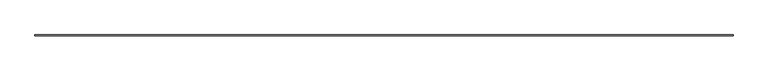
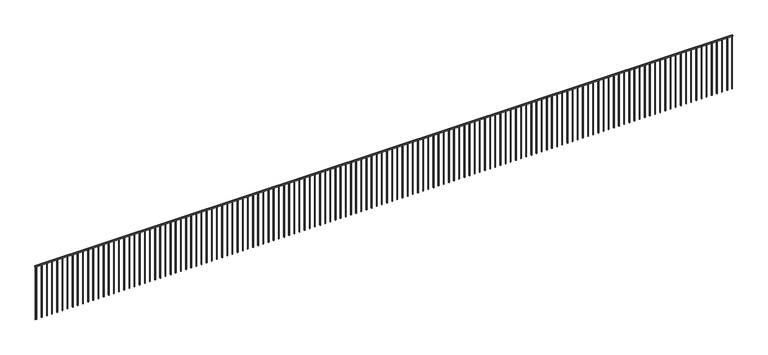
"""IFC4 building model written with IfcOpenShell, lengths in millimetres: railing geometry."""

from ifc_helpers import new_model, si_unit, frame, origin, place, context, project, spatial, polyline, outline, extrude, source, transform, mapped, element, save


def railing_77fd62ec(model_context):
    return source(origin(), model_context, "Body", "SweptSolid", [
        extrude(outline(polyline([(58190.1428488, -10622.0153476), (58190.1428488, -10672.0153476), (20990.1428488, -10672.0153476), (20990.1428488, -10622.0153476), (58190.1428488, -10622.0153476)])), frame((0.0, 0.0, 4850.0), z_axis=(0.0, 0.0, 1.0), x_axis=(1.0, 0.0, 0.0)), (0.0, 0.0, 1.0), 50.0),
        extrude(outline(polyline([(21077.6428488, -10634.5153476), (21077.6428488, -10659.5153476), (21052.6428488, -10659.5153476), (21052.6428488, -10634.5153476), (21077.6428488, -10634.5153476)])), frame((0.0, 0.0, 1900.0), z_axis=(0.0, 0.0, 1.0), x_axis=(1.0, 0.0, 0.0)), (0.0, 0.0, 1.0), 2950.0),
        extrude(outline(polyline([(21352.6428488, -10634.5153476), (21352.6428488, -10659.5153476), (21327.6428488, -10659.5153476), (21327.6428488, -10634.5153476), (21352.6428488, -10634.5153476)])), frame((0.0, 0.0, 1900.0), z_axis=(0.0, 0.0, 1.0), x_axis=(1.0, 0.0, 0.0)), (0.0, 0.0, 1.0), 2950.0),
        extrude(outline(polyline([(21627.6428488, -10634.5153476), (21627.6428488, -10659.5153476), (21602.6428488, -10659.5153476), (21602.6428488, -10634.5153476), (21627.6428488, -10634.5153476)])), frame((0.0, 0.0, 1900.0), z_axis=(0.0, 0.0, 1.0), x_axis=(1.0, 0.0, 0.0)), (0.0, 0.0, 1.0), 2950.0),
        extrude(outline(polyline([(21902.6428488, -10634.5153476), (21902.6428488, -10659.5153476), (21877.6428488, -10659.5153476), (21877.6428488, -10634.5153476), (21902.6428488, -10634.5153476)])), frame((0.0, 0.0, 1900.0), z_axis=(0.0, 0.0, 1.0), x_axis=(1.0, 0.0, 0.0)), (0.0, 0.0, 1.0), 2950.0),
        extrude(outline(polyline([(22177.6428488, -10634.5153476), (22177.6428488, -10659.5153476), (22152.6428488, -10659.5153476), (22152.6428488, -10634.5153476), (22177.6428488, -10634.5153476)])), frame((0.0, 0.0, 1900.0), z_axis=(0.0, 0.0, 1.0), x_axis=(1.0, 0.0, 0.0)), (0.0, 0.0, 1.0), 2950.0),
        extrude(outline(polyline([(22452.6428488, -10634.5153476), (22452.6428488, -10659.5153476), (22427.6428488, -10659.5153476), (22427.6428488, -10634.5153476), (22452.6428488, -10634.5153476)])), frame((0.0, 0.0, 1900.0), z_axis=(0.0, 0.0, 1.0), x_axis=(1.0, 0.0, 0.0)), (0.0, 0.0, 1.0), 2950.0),
        extrude(outline(polyline([(22727.6428488, -10634.5153476), (22727.6428488, -10659.5153476), (22702.6428488, -10659.5153476), (22702.6428488, -10634.5153476), (22727.6428488, -10634.5153476)])), frame((0.0, 0.0, 1900.0), z_axis=(0.0, 0.0, 1.0), x_axis=(1.0, 0.0, 0.0)), (0.0, 0.0, 1.0), 2950.0),
        extrude(outline(polyline([(23002.6428488, -10634.5153476), (23002.6428488, -10659.5153476), (22977.6428488, -10659.5153476), (22977.6428488, -10634.5153476), (23002.6428488, -10634.5153476)])), frame((0.0, 0.0, 1900.0), z_axis=(0.0, 0.0, 1.0), x_axis=(1.0, 0.0, 0.0)), (0.0, 0.0, 1.0), 2950.0),
        extrude(outline(polyline([(23277.6428488, -10634.5153476), (23277.6428488, -10659.5153476), (23252.6428488, -10659.5153476), (23252.6428488, -10634.5153476), (23277.6428488, -10634.5153476)])), frame((0.0, 0.0, 1900.0), z_axis=(0.0, 0.0, 1.0), x_axis=(1.0, 0.0, 0.0)), (0.0, 0.0, 1.0), 2950.0),
        extrude(outline(polyline([(23552.6428488, -10634.5153476), (23552.6428488, -10659.5153476), (23527.6428488, -10659.5153476), (23527.6428488, -10634.5153476), (23552.6428488, -10634.5153476)])), frame((0.0, 0.0, 1900.0), z_axis=(0.0, 0.0, 1.0), x_axis=(1.0, 0.0, 0.0)), (0.0, 0.0, 1.0), 2950.0),
        extrude(outline(polyline([(23827.6428488, -10634.5153476), (23827.6428488, -10659.5153476), (23802.6428488, -10659.5153476), (23802.6428488, -10634.5153476), (23827.6428488, -10634.5153476)])), frame((0.0, 0.0, 1900.0), z_axis=(0.0, 0.0, 1.0), x_axis=(1.0, 0.0, 0.0)), (0.0, 0.0, 1.0), 2950.0),
        extrude(outline(polyline([(24102.6428488, -10634.5153476), (24102.6428488, -10659.5153476), (24077.6428488, -10659.5153476), (24077.6428488, -10634.5153476), (24102.6428488, -10634.5153476)])), frame((0.0, 0.0, 1900.0), z_axis=(0.0, 0.0, 1.0), x_axis=(1.0, 0.0, 0.0)), (0.0, 0.0, 1.0), 2950.0),
        extrude(outline(polyline([(24377.6428488, -10634.5153476), (24377.6428488, -10659.5153476), (24352.6428488, -10659.5153476), (24352.6428488, -10634.5153476), (24377.6428488, -10634.5153476)])), frame((0.0, 0.0, 1900.0), z_axis=(0.0, 0.0, 1.0), x_axis=(1.0, 0.0, 0.0)), (0.0, 0.0, 1.0), 2950.0),
        extrude(outline(polyline([(24652.6428488, -10634.5153476), (24652.6428488, -10659.5153476), (24627.6428488, -10659.5153476), (24627.6428488, -10634.5153476), (24652.6428488, -10634.5153476)])), frame((0.0, 0.0, 1900.0), z_axis=(0.0, 0.0, 1.0), x_axis=(1.0, 0.0, 0.0)), (0.0, 0.0, 1.0), 2950.0),
        extrude(outline(polyline([(24927.6428488, -10634.5153476), (24927.6428488, -10659.5153476), (24902.6428488, -10659.5153476), (24902.6428488, -10634.5153476), (24927.6428488, -10634.5153476)])), frame((0.0, 0.0, 1900.0), z_axis=(0.0, 0.0, 1.0), x_axis=(1.0, 0.0, 0.0)), (0.0, 0.0, 1.0), 2950.0),
        extrude(outline(polyline([(25202.6428488, -10634.5153476), (25202.6428488, -10659.5153476), (25177.6428488, -10659.5153476), (25177.6428488, -10634.5153476), (25202.6428488, -10634.5153476)])), frame((0.0, 0.0, 1900.0), z_axis=(0.0, 0.0, 1.0), x_axis=(1.0, 0.0, 0.0)), (0.0, 0.0, 1.0), 2950.0),
        extrude(outline(polyline([(25477.6428488, -10634.5153476), (25477.6428488, -10659.5153476), (25452.6428488, -10659.5153476), (25452.6428488, -10634.5153476), (25477.6428488, -10634.5153476)])), frame((0.0, 0.0, 1900.0), z_axis=(0.0, 0.0, 1.0), x_axis=(1.0, 0.0, 0.0)), (0.0, 0.0, 1.0), 2950.0),
        extrude(outline(polyline([(25752.6428488, -10634.5153476), (25752.6428488, -10659.5153476), (25727.6428488, -10659.5153476), (25727.6428488, -10634.5153476), (25752.6428488, -10634.5153476)])), frame((0.0, 0.0, 1900.0), z_axis=(0.0, 0.0, 1.0), x_axis=(1.0, 0.0, 0.0)), (0.0, 0.0, 1.0), 2950.0),
        extrude(outline(polyline([(26027.6428488, -10634.5153476), (26027.6428488, -10659.5153476), (26002.6428488, -10659.5153476), (26002.6428488, -10634.5153476), (26027.6428488, -10634.5153476)])), frame((0.0, 0.0, 1900.0), z_axis=(0.0, 0.0, 1.0), x_axis=(1.0, 0.0, 0.0)), (0.0, 0.0, 1.0), 2950.0),
        extrude(outline(polyline([(26302.6428488, -10634.5153476), (26302.6428488, -10659.5153476), (26277.6428488, -10659.5153476), (26277.6428488, -10634.5153476), (26302.6428488, -10634.5153476)])), frame((0.0, 0.0, 1900.0), z_axis=(0.0, 0.0, 1.0), x_axis=(1.0, 0.0, 0.0)), (0.0, 0.0, 1.0), 2950.0),
        extrude(outline(polyline([(26577.6428488, -10634.5153476), (26577.6428488, -10659.5153476), (26552.6428488, -10659.5153476), (26552.6428488, -10634.5153476), (26577.6428488, -10634.5153476)])), frame((0.0, 0.0, 1900.0), z_axis=(0.0, 0.0, 1.0), x_axis=(1.0, 0.0, 0.0)), (0.0, 0.0, 1.0), 2950.0),
        extrude(outline(polyline([(26852.6428488, -10634.5153476), (26852.6428488, -10659.5153476), (26827.6428488, -10659.5153476), (26827.6428488, -10634.5153476), (26852.6428488, -10634.5153476)])), frame((0.0, 0.0, 1900.0), z_axis=(0.0, 0.0, 1.0), x_axis=(1.0, 0.0, 0.0)), (0.0, 0.0, 1.0), 2950.0),
        extrude(outline(polyline([(27127.6428488, -10634.5153476), (27127.6428488, -10659.5153476), (27102.6428488, -10659.5153476), (27102.6428488, -10634.5153476), (27127.6428488, -10634.5153476)])), frame((0.0, 0.0, 1900.0), z_axis=(0.0, 0.0, 1.0), x_axis=(1.0, 0.0, 0.0)), (0.0, 0.0, 1.0), 2950.0),
        extrude(outline(polyline([(27402.6428488, -10634.5153476), (27402.6428488, -10659.5153476), (27377.6428488, -10659.5153476), (27377.6428488, -10634.5153476), (27402.6428488, -10634.5153476)])), frame((0.0, 0.0, 1900.0), z_axis=(0.0, 0.0, 1.0), x_axis=(1.0, 0.0, 0.0)), (0.0, 0.0, 1.0), 2950.0),
        extrude(outline(polyline([(27677.6428488, -10634.5153476), (27677.6428488, -10659.5153476), (27652.6428488, -10659.5153476), (27652.6428488, -10634.5153476), (27677.6428488, -10634.5153476)])), frame((0.0, 0.0, 1900.0), z_axis=(0.0, 0.0, 1.0), x_axis=(1.0, 0.0, 0.0)), (0.0, 0.0, 1.0), 2950.0),
        extrude(outline(polyline([(27952.6428488, -10634.5153476), (27952.6428488, -10659.5153476), (27927.6428488, -10659.5153476), (27927.6428488, -10634.5153476), (27952.6428488, -10634.5153476)])), frame((0.0, 0.0, 1900.0), z_axis=(0.0, 0.0, 1.0), x_axis=(1.0, 0.0, 0.0)), (0.0, 0.0, 1.0), 2950.0),
        extrude(outline(polyline([(28227.6428488, -10634.5153476), (28227.6428488, -10659.5153476), (28202.6428488, -10659.5153476), (28202.6428488, -10634.5153476), (28227.6428488, -10634.5153476)])), frame((0.0, 0.0, 1900.0), z_axis=(0.0, 0.0, 1.0), x_axis=(1.0, 0.0, 0.0)), (0.0, 0.0, 1.0), 2950.0),
        extrude(outline(polyline([(28502.6428488, -10634.5153476), (28502.6428488, -10659.5153476), (28477.6428488, -10659.5153476), (28477.6428488, -10634.5153476), (28502.6428488, -10634.5153476)])), frame((0.0, 0.0, 1900.0), z_axis=(0.0, 0.0, 1.0), x_axis=(1.0, 0.0, 0.0)), (0.0, 0.0, 1.0), 2950.0),
        extrude(outline(polyline([(28777.6428488, -10634.5153476), (28777.6428488, -10659.5153476), (28752.6428488, -10659.5153476), (28752.6428488, -10634.5153476), (28777.6428488, -10634.5153476)])), frame((0.0, 0.0, 1900.0), z_axis=(0.0, 0.0, 1.0), x_axis=(1.0, 0.0, 0.0)), (0.0, 0.0, 1.0), 2950.0),
        extrude(outline(polyline([(29052.6428488, -10634.5153476), (29052.6428488, -10659.5153476), (29027.6428488, -10659.5153476), (29027.6428488, -10634.5153476), (29052.6428488, -10634.5153476)])), frame((0.0, 0.0, 1900.0), z_axis=(0.0, 0.0, 1.0), x_axis=(1.0, 0.0, 0.0)), (0.0, 0.0, 1.0), 2950.0),
        extrude(outline(polyline([(29327.6428488, -10634.5153476), (29327.6428488, -10659.5153476), (29302.6428488, -10659.5153476), (29302.6428488, -10634.5153476), (29327.6428488, -10634.5153476)])), frame((0.0, 0.0, 1900.0), z_axis=(0.0, 0.0, 1.0), x_axis=(1.0, 0.0, 0.0)), (0.0, 0.0, 1.0), 2950.0),
        extrude(outline(polyline([(29602.6428488, -10634.5153476), (29602.6428488, -10659.5153476), (29577.6428488, -10659.5153476), (29577.6428488, -10634.5153476), (29602.6428488, -10634.5153476)])), frame((0.0, 0.0, 1900.0), z_axis=(0.0, 0.0, 1.0), x_axis=(1.0, 0.0, 0.0)), (0.0, 0.0, 1.0), 2950.0),
        extrude(outline(polyline([(29877.6428488, -10634.5153476), (29877.6428488, -10659.5153476), (29852.6428488, -10659.5153476), (29852.6428488, -10634.5153476), (29877.6428488, -10634.5153476)])), frame((0.0, 0.0, 1900.0), z_axis=(0.0, 0.0, 1.0), x_axis=(1.0, 0.0, 0.0)), (0.0, 0.0, 1.0), 2950.0),
        extrude(outline(polyline([(30152.6428488, -10634.5153476), (30152.6428488, -10659.5153476), (30127.6428488, -10659.5153476), (30127.6428488, -10634.5153476), (30152.6428488, -10634.5153476)])), frame((0.0, 0.0, 1900.0), z_axis=(0.0, 0.0, 1.0), x_axis=(1.0, 0.0, 0.0)), (0.0, 0.0, 1.0), 2950.0),
        extrude(outline(polyline([(30427.6428488, -10634.5153476), (30427.6428488, -10659.5153476), (30402.6428488, -10659.5153476), (30402.6428488, -10634.5153476), (30427.6428488, -10634.5153476)])), frame((0.0, 0.0, 1900.0), z_axis=(0.0, 0.0, 1.0), x_axis=(1.0, 0.0, 0.0)), (0.0, 0.0, 1.0), 2950.0),
        extrude(outline(polyline([(30702.6428488, -10634.5153476), (30702.6428488, -10659.5153476), (30677.6428488, -10659.5153476), (30677.6428488, -10634.5153476), (30702.6428488, -10634.5153476)])), frame((0.0, 0.0, 1900.0), z_axis=(0.0, 0.0, 1.0), x_axis=(1.0, 0.0, 0.0)), (0.0, 0.0, 1.0), 2950.0),
        extrude(outline(polyline([(30977.6428488, -10634.5153476), (30977.6428488, -10659.5153476), (30952.6428488, -10659.5153476), (30952.6428488, -10634.5153476), (30977.6428488, -10634.5153476)])), frame((0.0, 0.0, 1900.0), z_axis=(0.0, 0.0, 1.0), x_axis=(1.0, 0.0, 0.0)), (0.0, 0.0, 1.0), 2950.0),
        extrude(outline(polyline([(31252.6428488, -10634.5153476), (31252.6428488, -10659.5153476), (31227.6428488, -10659.5153476), (31227.6428488, -10634.5153476), (31252.6428488, -10634.5153476)])), frame((0.0, 0.0, 1900.0), z_axis=(0.0, 0.0, 1.0), x_axis=(1.0, 0.0, 0.0)), (0.0, 0.0, 1.0), 2950.0),
        extrude(outline(polyline([(31527.6428488, -10634.5153476), (31527.6428488, -10659.5153476), (31502.6428488, -10659.5153476), (31502.6428488, -10634.5153476), (31527.6428488, -10634.5153476)])), frame((0.0, 0.0, 1900.0), z_axis=(0.0, 0.0, 1.0), x_axis=(1.0, 0.0, 0.0)), (0.0, 0.0, 1.0), 2950.0),
        extrude(outline(polyline([(31802.6428488, -10634.5153476), (31802.6428488, -10659.5153476), (31777.6428488, -10659.5153476), (31777.6428488, -10634.5153476), (31802.6428488, -10634.5153476)])), frame((0.0, 0.0, 1900.0), z_axis=(0.0, 0.0, 1.0), x_axis=(1.0, 0.0, 0.0)), (0.0, 0.0, 1.0), 2950.0),
        extrude(outline(polyline([(32077.6428488, -10634.5153476), (32077.6428488, -10659.5153476), (32052.6428488, -10659.5153476), (32052.6428488, -10634.5153476), (32077.6428488, -10634.5153476)])), frame((0.0, 0.0, 1900.0), z_axis=(0.0, 0.0, 1.0), x_axis=(1.0, 0.0, 0.0)), (0.0, 0.0, 1.0), 2950.0),
        extrude(outline(polyline([(32352.6428488, -10634.5153476), (32352.6428488, -10659.5153476), (32327.6428488, -10659.5153476), (32327.6428488, -10634.5153476), (32352.6428488, -10634.5153476)])), frame((0.0, 0.0, 1900.0), z_axis=(0.0, 0.0, 1.0), x_axis=(1.0, 0.0, 0.0)), (0.0, 0.0, 1.0), 2950.0),
        extrude(outline(polyline([(32627.6428488, -10634.5153476), (32627.6428488, -10659.5153476), (32602.6428488, -10659.5153476), (32602.6428488, -10634.5153476), (32627.6428488, -10634.5153476)])), frame((0.0, 0.0, 1900.0), z_axis=(0.0, 0.0, 1.0), x_axis=(1.0, 0.0, 0.0)), (0.0, 0.0, 1.0), 2950.0),
        extrude(outline(polyline([(32902.6428488, -10634.5153476), (32902.6428488, -10659.5153476), (32877.6428488, -10659.5153476), (32877.6428488, -10634.5153476), (32902.6428488, -10634.5153476)])), frame((0.0, 0.0, 1900.0), z_axis=(0.0, 0.0, 1.0), x_axis=(1.0, 0.0, 0.0)), (0.0, 0.0, 1.0), 2950.0),
        extrude(outline(polyline([(33177.6428488, -10634.5153476), (33177.6428488, -10659.5153476), (33152.6428488, -10659.5153476), (33152.6428488, -10634.5153476), (33177.6428488, -10634.5153476)])), frame((0.0, 0.0, 1900.0), z_axis=(0.0, 0.0, 1.0), x_axis=(1.0, 0.0, 0.0)), (0.0, 0.0, 1.0), 2950.0),
        extrude(outline(polyline([(33452.6428488, -10634.5153476), (33452.6428488, -10659.5153476), (33427.6428488, -10659.5153476), (33427.6428488, -10634.5153476), (33452.6428488, -10634.5153476)])), frame((0.0, 0.0, 1900.0), z_axis=(0.0, 0.0, 1.0), x_axis=(1.0, 0.0, 0.0)), (0.0, 0.0, 1.0), 2950.0),
        extrude(outline(polyline([(33727.6428488, -10634.5153476), (33727.6428488, -10659.5153476), (33702.6428488, -10659.5153476), (33702.6428488, -10634.5153476), (33727.6428488, -10634.5153476)])), frame((0.0, 0.0, 1900.0), z_axis=(0.0, 0.0, 1.0), x_axis=(1.0, 0.0, 0.0)), (0.0, 0.0, 1.0), 2950.0),
        extrude(outline(polyline([(34002.6428488, -10634.5153476), (34002.6428488, -10659.5153476), (33977.6428488, -10659.5153476), (33977.6428488, -10634.5153476), (34002.6428488, -10634.5153476)])), frame((0.0, 0.0, 1900.0), z_axis=(0.0, 0.0, 1.0), x_axis=(1.0, 0.0, 0.0)), (0.0, 0.0, 1.0), 2950.0),
        extrude(outline(polyline([(34277.6428488, -10634.5153476), (34277.6428488, -10659.5153476), (34252.6428488, -10659.5153476), (34252.6428488, -10634.5153476), (34277.6428488, -10634.5153476)])), frame((0.0, 0.0, 1900.0), z_axis=(0.0, 0.0, 1.0), x_axis=(1.0, 0.0, 0.0)), (0.0, 0.0, 1.0), 2950.0),
        extrude(outline(polyline([(34552.6428488, -10634.5153476), (34552.6428488, -10659.5153476), (34527.6428488, -10659.5153476), (34527.6428488, -10634.5153476), (34552.6428488, -10634.5153476)])), frame((0.0, 0.0, 1900.0), z_axis=(0.0, 0.0, 1.0), x_axis=(1.0, 0.0, 0.0)), (0.0, 0.0, 1.0), 2950.0),
        extrude(outline(polyline([(34827.6428488, -10634.5153476), (34827.6428488, -10659.5153476), (34802.6428488, -10659.5153476), (34802.6428488, -10634.5153476), (34827.6428488, -10634.5153476)])), frame((0.0, 0.0, 1900.0), z_axis=(0.0, 0.0, 1.0), x_axis=(1.0, 0.0, 0.0)), (0.0, 0.0, 1.0), 2950.0),
        extrude(outline(polyline([(35102.6428488, -10634.5153476), (35102.6428488, -10659.5153476), (35077.6428488, -10659.5153476), (35077.6428488, -10634.5153476), (35102.6428488, -10634.5153476)])), frame((0.0, 0.0, 1900.0), z_axis=(0.0, 0.0, 1.0), x_axis=(1.0, 0.0, 0.0)), (0.0, 0.0, 1.0), 2950.0),
        extrude(outline(polyline([(35377.6428488, -10634.5153476), (35377.6428488, -10659.5153476), (35352.6428488, -10659.5153476), (35352.6428488, -10634.5153476), (35377.6428488, -10634.5153476)])), frame((0.0, 0.0, 1900.0), z_axis=(0.0, 0.0, 1.0), x_axis=(1.0, 0.0, 0.0)), (0.0, 0.0, 1.0), 2950.0),
        extrude(outline(polyline([(35652.6428488, -10634.5153476), (35652.6428488, -10659.5153476), (35627.6428488, -10659.5153476), (35627.6428488, -10634.5153476), (35652.6428488, -10634.5153476)])), frame((0.0, 0.0, 1900.0), z_axis=(0.0, 0.0, 1.0), x_axis=(1.0, 0.0, 0.0)), (0.0, 0.0, 1.0), 2950.0),
        extrude(outline(polyline([(35927.6428488, -10634.5153476), (35927.6428488, -10659.5153476), (35902.6428488, -10659.5153476), (35902.6428488, -10634.5153476), (35927.6428488, -10634.5153476)])), frame((0.0, 0.0, 1900.0), z_axis=(0.0, 0.0, 1.0), x_axis=(1.0, 0.0, 0.0)), (0.0, 0.0, 1.0), 2950.0),
        extrude(outline(polyline([(36202.6428488, -10634.5153476), (36202.6428488, -10659.5153476), (36177.6428488, -10659.5153476), (36177.6428488, -10634.5153476), (36202.6428488, -10634.5153476)])), frame((0.0, 0.0, 1900.0), z_axis=(0.0, 0.0, 1.0), x_axis=(1.0, 0.0, 0.0)), (0.0, 0.0, 1.0), 2950.0),
        extrude(outline(polyline([(36477.6428488, -10634.5153476), (36477.6428488, -10659.5153476), (36452.6428488, -10659.5153476), (36452.6428488, -10634.5153476), (36477.6428488, -10634.5153476)])), frame((0.0, 0.0, 1900.0), z_axis=(0.0, 0.0, 1.0), x_axis=(1.0, 0.0, 0.0)), (0.0, 0.0, 1.0), 2950.0),
        extrude(outline(polyline([(36752.6428488, -10634.5153476), (36752.6428488, -10659.5153476), (36727.6428488, -10659.5153476), (36727.6428488, -10634.5153476), (36752.6428488, -10634.5153476)])), frame((0.0, 0.0, 1900.0), z_axis=(0.0, 0.0, 1.0), x_axis=(1.0, 0.0, 0.0)), (0.0, 0.0, 1.0), 2950.0),
        extrude(outline(polyline([(37027.6428488, -10634.5153476), (37027.6428488, -10659.5153476), (37002.6428488, -10659.5153476), (37002.6428488, -10634.5153476), (37027.6428488, -10634.5153476)])), frame((0.0, 0.0, 1900.0), z_axis=(0.0, 0.0, 1.0), x_axis=(1.0, 0.0, 0.0)), (0.0, 0.0, 1.0), 2950.0),
        extrude(outline(polyline([(37302.6428488, -10634.5153476), (37302.6428488, -10659.5153476), (37277.6428488, -10659.5153476), (37277.6428488, -10634.5153476), (37302.6428488, -10634.5153476)])), frame((0.0, 0.0, 1900.0), z_axis=(0.0, 0.0, 1.0), x_axis=(1.0, 0.0, 0.0)), (0.0, 0.0, 1.0), 2950.0),
        extrude(outline(polyline([(37577.6428488, -10634.5153476), (37577.6428488, -10659.5153476), (37552.6428488, -10659.5153476), (37552.6428488, -10634.5153476), (37577.6428488, -10634.5153476)])), frame((0.0, 0.0, 1900.0), z_axis=(0.0, 0.0, 1.0), x_axis=(1.0, 0.0, 0.0)), (0.0, 0.0, 1.0), 2950.0),
        extrude(outline(polyline([(37852.6428488, -10634.5153476), (37852.6428488, -10659.5153476), (37827.6428488, -10659.5153476), (37827.6428488, -10634.5153476), (37852.6428488, -10634.5153476)])), frame((0.0, 0.0, 1900.0), z_axis=(0.0, 0.0, 1.0), x_axis=(1.0, 0.0, 0.0)), (0.0, 0.0, 1.0), 2950.0),
        extrude(outline(polyline([(38127.6428488, -10634.5153476), (38127.6428488, -10659.5153476), (38102.6428488, -10659.5153476), (38102.6428488, -10634.5153476), (38127.6428488, -10634.5153476)])), frame((0.0, 0.0, 1900.0), z_axis=(0.0, 0.0, 1.0), x_axis=(1.0, 0.0, 0.0)), (0.0, 0.0, 1.0), 2950.0),
        extrude(outline(polyline([(38402.6428488, -10634.5153476), (38402.6428488, -10659.5153476), (38377.6428488, -10659.5153476), (38377.6428488, -10634.5153476), (38402.6428488, -10634.5153476)])), frame((0.0, 0.0, 1900.0), z_axis=(0.0, 0.0, 1.0), x_axis=(1.0, 0.0, 0.0)), (0.0, 0.0, 1.0), 2950.0),
        extrude(outline(polyline([(38677.6428488, -10634.5153476), (38677.6428488, -10659.5153476), (38652.6428488, -10659.5153476), (38652.6428488, -10634.5153476), (38677.6428488, -10634.5153476)])), frame((0.0, 0.0, 1900.0), z_axis=(0.0, 0.0, 1.0), x_axis=(1.0, 0.0, 0.0)), (0.0, 0.0, 1.0), 2950.0),
        extrude(outline(polyline([(38952.6428488, -10634.5153476), (38952.6428488, -10659.5153476), (38927.6428488, -10659.5153476), (38927.6428488, -10634.5153476), (38952.6428488, -10634.5153476)])), frame((0.0, 0.0, 1900.0), z_axis=(0.0, 0.0, 1.0), x_axis=(1.0, 0.0, 0.0)), (0.0, 0.0, 1.0), 2950.0),
        extrude(outline(polyline([(39227.6428488, -10634.5153476), (39227.6428488, -10659.5153476), (39202.6428488, -10659.5153476), (39202.6428488, -10634.5153476), (39227.6428488, -10634.5153476)])), frame((0.0, 0.0, 1900.0), z_axis=(0.0, 0.0, 1.0), x_axis=(1.0, 0.0, 0.0)), (0.0, 0.0, 1.0), 2950.0),
        extrude(outline(polyline([(39502.6428488, -10634.5153476), (39502.6428488, -10659.5153476), (39477.6428488, -10659.5153476), (39477.6428488, -10634.5153476), (39502.6428488, -10634.5153476)])), frame((0.0, 0.0, 1900.0), z_axis=(0.0, 0.0, 1.0), x_axis=(1.0, 0.0, 0.0)), (0.0, 0.0, 1.0), 2950.0),
        extrude(outline(polyline([(39777.6428488, -10634.5153476), (39777.6428488, -10659.5153476), (39752.6428488, -10659.5153476), (39752.6428488, -10634.5153476), (39777.6428488, -10634.5153476)])), frame((0.0, 0.0, 1900.0), z_axis=(0.0, 0.0, 1.0), x_axis=(1.0, 0.0, 0.0)), (0.0, 0.0, 1.0), 2950.0),
        extrude(outline(polyline([(40052.6428488, -10634.5153476), (40052.6428488, -10659.5153476), (40027.6428488, -10659.5153476), (40027.6428488, -10634.5153476), (40052.6428488, -10634.5153476)])), frame((0.0, 0.0, 1900.0), z_axis=(0.0, 0.0, 1.0), x_axis=(1.0, 0.0, 0.0)), (0.0, 0.0, 1.0), 2950.0),
        extrude(outline(polyline([(40327.6428488, -10634.5153476), (40327.6428488, -10659.5153476), (40302.6428488, -10659.5153476), (40302.6428488, -10634.5153476), (40327.6428488, -10634.5153476)])), frame((0.0, 0.0, 1900.0), z_axis=(0.0, 0.0, 1.0), x_axis=(1.0, 0.0, 0.0)), (0.0, 0.0, 1.0), 2950.0),
        extrude(outline(polyline([(40602.6428488, -10634.5153476), (40602.6428488, -10659.5153476), (40577.6428488, -10659.5153476), (40577.6428488, -10634.5153476), (40602.6428488, -10634.5153476)])), frame((0.0, 0.0, 1900.0), z_axis=(0.0, 0.0, 1.0), x_axis=(1.0, 0.0, 0.0)), (0.0, 0.0, 1.0), 2950.0),
        extrude(outline(polyline([(40877.6428488, -10634.5153476), (40877.6428488, -10659.5153476), (40852.6428488, -10659.5153476), (40852.6428488, -10634.5153476), (40877.6428488, -10634.5153476)])), frame((0.0, 0.0, 1900.0), z_axis=(0.0, 0.0, 1.0), x_axis=(1.0, 0.0, 0.0)), (0.0, 0.0, 1.0), 2950.0),
        extrude(outline(polyline([(41152.6428488, -10634.5153476), (41152.6428488, -10659.5153476), (41127.6428488, -10659.5153476), (41127.6428488, -10634.5153476), (41152.6428488, -10634.5153476)])), frame((0.0, 0.0, 1900.0), z_axis=(0.0, 0.0, 1.0), x_axis=(1.0, 0.0, 0.0)), (0.0, 0.0, 1.0), 2950.0),
        extrude(outline(polyline([(41427.6428488, -10634.5153476), (41427.6428488, -10659.5153476), (41402.6428488, -10659.5153476), (41402.6428488, -10634.5153476), (41427.6428488, -10634.5153476)])), frame((0.0, 0.0, 1900.0), z_axis=(0.0, 0.0, 1.0), x_axis=(1.0, 0.0, 0.0)), (0.0, 0.0, 1.0), 2950.0),
        extrude(outline(polyline([(41702.6428488, -10634.5153476), (41702.6428488, -10659.5153476), (41677.6428488, -10659.5153476), (41677.6428488, -10634.5153476), (41702.6428488, -10634.5153476)])), frame((0.0, 0.0, 1900.0), z_axis=(0.0, 0.0, 1.0), x_axis=(1.0, 0.0, 0.0)), (0.0, 0.0, 1.0), 2950.0),
        extrude(outline(polyline([(41977.6428488, -10634.5153476), (41977.6428488, -10659.5153476), (41952.6428488, -10659.5153476), (41952.6428488, -10634.5153476), (41977.6428488, -10634.5153476)])), frame((0.0, 0.0, 1900.0), z_axis=(0.0, 0.0, 1.0), x_axis=(1.0, 0.0, 0.0)), (0.0, 0.0, 1.0), 2950.0),
        extrude(outline(polyline([(42252.6428488, -10634.5153476), (42252.6428488, -10659.5153476), (42227.6428488, -10659.5153476), (42227.6428488, -10634.5153476), (42252.6428488, -10634.5153476)])), frame((0.0, 0.0, 1900.0), z_axis=(0.0, 0.0, 1.0), x_axis=(1.0, 0.0, 0.0)), (0.0, 0.0, 1.0), 2950.0),
        extrude(outline(polyline([(42527.6428488, -10634.5153476), (42527.6428488, -10659.5153476), (42502.6428488, -10659.5153476), (42502.6428488, -10634.5153476), (42527.6428488, -10634.5153476)])), frame((0.0, 0.0, 1900.0), z_axis=(0.0, 0.0, 1.0), x_axis=(1.0, 0.0, 0.0)), (0.0, 0.0, 1.0), 2950.0),
        extrude(outline(polyline([(42802.6428488, -10634.5153476), (42802.6428488, -10659.5153476), (42777.6428488, -10659.5153476), (42777.6428488, -10634.5153476), (42802.6428488, -10634.5153476)])), frame((0.0, 0.0, 1900.0), z_axis=(0.0, 0.0, 1.0), x_axis=(1.0, 0.0, 0.0)), (0.0, 0.0, 1.0), 2950.0),
        extrude(outline(polyline([(43077.6428488, -10634.5153476), (43077.6428488, -10659.5153476), (43052.6428488, -10659.5153476), (43052.6428488, -10634.5153476), (43077.6428488, -10634.5153476)])), frame((0.0, 0.0, 1900.0), z_axis=(0.0, 0.0, 1.0), x_axis=(1.0, 0.0, 0.0)), (0.0, 0.0, 1.0), 2950.0),
        extrude(outline(polyline([(43352.6428488, -10634.5153476), (43352.6428488, -10659.5153476), (43327.6428488, -10659.5153476), (43327.6428488, -10634.5153476), (43352.6428488, -10634.5153476)])), frame((0.0, 0.0, 1900.0), z_axis=(0.0, 0.0, 1.0), x_axis=(1.0, 0.0, 0.0)), (0.0, 0.0, 1.0), 2950.0),
        extrude(outline(polyline([(43627.6428488, -10634.5153476), (43627.6428488, -10659.5153476), (43602.6428488, -10659.5153476), (43602.6428488, -10634.5153476), (43627.6428488, -10634.5153476)])), frame((0.0, 0.0, 1900.0), z_axis=(0.0, 0.0, 1.0), x_axis=(1.0, 0.0, 0.0)), (0.0, 0.0, 1.0), 2950.0),
        extrude(outline(polyline([(43902.6428488, -10634.5153476), (43902.6428488, -10659.5153476), (43877.6428488, -10659.5153476), (43877.6428488, -10634.5153476), (43902.6428488, -10634.5153476)])), frame((0.0, 0.0, 1900.0), z_axis=(0.0, 0.0, 1.0), x_axis=(1.0, 0.0, 0.0)), (0.0, 0.0, 1.0), 2950.0),
        extrude(outline(polyline([(44177.6428488, -10634.5153476), (44177.6428488, -10659.5153476), (44152.6428488, -10659.5153476), (44152.6428488, -10634.5153476), (44177.6428488, -10634.5153476)])), frame((0.0, 0.0, 1900.0), z_axis=(0.0, 0.0, 1.0), x_axis=(1.0, 0.0, 0.0)), (0.0, 0.0, 1.0), 2950.0),
        extrude(outline(polyline([(44452.6428488, -10634.5153476), (44452.6428488, -10659.5153476), (44427.6428488, -10659.5153476), (44427.6428488, -10634.5153476), (44452.6428488, -10634.5153476)])), frame((0.0, 0.0, 1900.0), z_axis=(0.0, 0.0, 1.0), x_axis=(1.0, 0.0, 0.0)), (0.0, 0.0, 1.0), 2950.0),
        extrude(outline(polyline([(44727.6428488, -10634.5153476), (44727.6428488, -10659.5153476), (44702.6428488, -10659.5153476), (44702.6428488, -10634.5153476), (44727.6428488, -10634.5153476)])), frame((0.0, 0.0, 1900.0), z_axis=(0.0, 0.0, 1.0), x_axis=(1.0, 0.0, 0.0)), (0.0, 0.0, 1.0), 2950.0),
        extrude(outline(polyline([(45002.6428488, -10634.5153476), (45002.6428488, -10659.5153476), (44977.6428488, -10659.5153476), (44977.6428488, -10634.5153476), (45002.6428488, -10634.5153476)])), frame((0.0, 0.0, 1900.0), z_axis=(0.0, 0.0, 1.0), x_axis=(1.0, 0.0, 0.0)), (0.0, 0.0, 1.0), 2950.0),
        extrude(outline(polyline([(45277.6428488, -10634.5153476), (45277.6428488, -10659.5153476), (45252.6428488, -10659.5153476), (45252.6428488, -10634.5153476), (45277.6428488, -10634.5153476)])), frame((0.0, 0.0, 1900.0), z_axis=(0.0, 0.0, 1.0), x_axis=(1.0, 0.0, 0.0)), (0.0, 0.0, 1.0), 2950.0),
        extrude(outline(polyline([(45552.6428488, -10634.5153476), (45552.6428488, -10659.5153476), (45527.6428488, -10659.5153476), (45527.6428488, -10634.5153476), (45552.6428488, -10634.5153476)])), frame((0.0, 0.0, 1900.0), z_axis=(0.0, 0.0, 1.0), x_axis=(1.0, 0.0, 0.0)), (0.0, 0.0, 1.0), 2950.0),
        extrude(outline(polyline([(45827.6428488, -10634.5153476), (45827.6428488, -10659.5153476), (45802.6428488, -10659.5153476), (45802.6428488, -10634.5153476), (45827.6428488, -10634.5153476)])), frame((0.0, 0.0, 1900.0), z_axis=(0.0, 0.0, 1.0), x_axis=(1.0, 0.0, 0.0)), (0.0, 0.0, 1.0), 2950.0),
        extrude(outline(polyline([(46102.6428488, -10634.5153476), (46102.6428488, -10659.5153476), (46077.6428488, -10659.5153476), (46077.6428488, -10634.5153476), (46102.6428488, -10634.5153476)])), frame((0.0, 0.0, 1900.0), z_axis=(0.0, 0.0, 1.0), x_axis=(1.0, 0.0, 0.0)), (0.0, 0.0, 1.0), 2950.0),
        extrude(outline(polyline([(46377.6428488, -10634.5153476), (46377.6428488, -10659.5153476), (46352.6428488, -10659.5153476), (46352.6428488, -10634.5153476), (46377.6428488, -10634.5153476)])), frame((0.0, 0.0, 1900.0), z_axis=(0.0, 0.0, 1.0), x_axis=(1.0, 0.0, 0.0)), (0.0, 0.0, 1.0), 2950.0),
        extrude(outline(polyline([(46652.6428488, -10634.5153476), (46652.6428488, -10659.5153476), (46627.6428488, -10659.5153476), (46627.6428488, -10634.5153476), (46652.6428488, -10634.5153476)])), frame((0.0, 0.0, 1900.0), z_axis=(0.0, 0.0, 1.0), x_axis=(1.0, 0.0, 0.0)), (0.0, 0.0, 1.0), 2950.0),
        extrude(outline(polyline([(46927.6428488, -10634.5153476), (46927.6428488, -10659.5153476), (46902.6428488, -10659.5153476), (46902.6428488, -10634.5153476), (46927.6428488, -10634.5153476)])), frame((0.0, 0.0, 1900.0), z_axis=(0.0, 0.0, 1.0), x_axis=(1.0, 0.0, 0.0)), (0.0, 0.0, 1.0), 2950.0),
        extrude(outline(polyline([(47202.6428488, -10634.5153476), (47202.6428488, -10659.5153476), (47177.6428488, -10659.5153476), (47177.6428488, -10634.5153476), (47202.6428488, -10634.5153476)])), frame((0.0, 0.0, 1900.0), z_axis=(0.0, 0.0, 1.0), x_axis=(1.0, 0.0, 0.0)), (0.0, 0.0, 1.0), 2950.0),
        extrude(outline(polyline([(47477.6428488, -10634.5153476), (47477.6428488, -10659.5153476), (47452.6428488, -10659.5153476), (47452.6428488, -10634.5153476), (47477.6428488, -10634.5153476)])), frame((0.0, 0.0, 1900.0), z_axis=(0.0, 0.0, 1.0), x_axis=(1.0, 0.0, 0.0)), (0.0, 0.0, 1.0), 2950.0),
        extrude(outline(polyline([(47752.6428488, -10634.5153476), (47752.6428488, -10659.5153476), (47727.6428488, -10659.5153476), (47727.6428488, -10634.5153476), (47752.6428488, -10634.5153476)])), frame((0.0, 0.0, 1900.0), z_axis=(0.0, 0.0, 1.0), x_axis=(1.0, 0.0, 0.0)), (0.0, 0.0, 1.0), 2950.0),
        extrude(outline(polyline([(48027.6428488, -10634.5153476), (48027.6428488, -10659.5153476), (48002.6428488, -10659.5153476), (48002.6428488, -10634.5153476), (48027.6428488, -10634.5153476)])), frame((0.0, 0.0, 1900.0), z_axis=(0.0, 0.0, 1.0), x_axis=(1.0, 0.0, 0.0)), (0.0, 0.0, 1.0), 2950.0),
        extrude(outline(polyline([(48302.6428488, -10634.5153476), (48302.6428488, -10659.5153476), (48277.6428488, -10659.5153476), (48277.6428488, -10634.5153476), (48302.6428488, -10634.5153476)])), frame((0.0, 0.0, 1900.0), z_axis=(0.0, 0.0, 1.0), x_axis=(1.0, 0.0, 0.0)), (0.0, 0.0, 1.0), 2950.0),
        extrude(outline(polyline([(48577.6428488, -10634.5153476), (48577.6428488, -10659.5153476), (48552.6428488, -10659.5153476), (48552.6428488, -10634.5153476), (48577.6428488, -10634.5153476)])), frame((0.0, 0.0, 1900.0), z_axis=(0.0, 0.0, 1.0), x_axis=(1.0, 0.0, 0.0)), (0.0, 0.0, 1.0), 2950.0),
        extrude(outline(polyline([(48852.6428488, -10634.5153476), (48852.6428488, -10659.5153476), (48827.6428488, -10659.5153476), (48827.6428488, -10634.5153476), (48852.6428488, -10634.5153476)])), frame((0.0, 0.0, 1900.0), z_axis=(0.0, 0.0, 1.0), x_axis=(1.0, 0.0, 0.0)), (0.0, 0.0, 1.0), 2950.0),
        extrude(outline(polyline([(49127.6428488, -10634.5153476), (49127.6428488, -10659.5153476), (49102.6428488, -10659.5153476), (49102.6428488, -10634.5153476), (49127.6428488, -10634.5153476)])), frame((0.0, 0.0, 1900.0), z_axis=(0.0, 0.0, 1.0), x_axis=(1.0, 0.0, 0.0)), (0.0, 0.0, 1.0), 2950.0),
        extrude(outline(polyline([(49402.6428488, -10634.5153476), (49402.6428488, -10659.5153476), (49377.6428488, -10659.5153476), (49377.6428488, -10634.5153476), (49402.6428488, -10634.5153476)])), frame((0.0, 0.0, 1900.0), z_axis=(0.0, 0.0, 1.0), x_axis=(1.0, 0.0, 0.0)), (0.0, 0.0, 1.0), 2950.0),
        extrude(outline(polyline([(49677.6428488, -10634.5153476), (49677.6428488, -10659.5153476), (49652.6428488, -10659.5153476), (49652.6428488, -10634.5153476), (49677.6428488, -10634.5153476)])), frame((0.0, 0.0, 1900.0), z_axis=(0.0, 0.0, 1.0), x_axis=(1.0, 0.0, 0.0)), (0.0, 0.0, 1.0), 2950.0),
        extrude(outline(polyline([(49952.6428488, -10634.5153476), (49952.6428488, -10659.5153476), (49927.6428488, -10659.5153476), (49927.6428488, -10634.5153476), (49952.6428488, -10634.5153476)])), frame((0.0, 0.0, 1900.0), z_axis=(0.0, 0.0, 1.0), x_axis=(1.0, 0.0, 0.0)), (0.0, 0.0, 1.0), 2950.0),
        extrude(outline(polyline([(50227.6428488, -10634.5153476), (50227.6428488, -10659.5153476), (50202.6428488, -10659.5153476), (50202.6428488, -10634.5153476), (50227.6428488, -10634.5153476)])), frame((0.0, 0.0, 1900.0), z_axis=(0.0, 0.0, 1.0), x_axis=(1.0, 0.0, 0.0)), (0.0, 0.0, 1.0), 2950.0),
        extrude(outline(polyline([(50502.6428488, -10634.5153476), (50502.6428488, -10659.5153476), (50477.6428488, -10659.5153476), (50477.6428488, -10634.5153476), (50502.6428488, -10634.5153476)])), frame((0.0, 0.0, 1900.0), z_axis=(0.0, 0.0, 1.0), x_axis=(1.0, 0.0, 0.0)), (0.0, 0.0, 1.0), 2950.0),
        extrude(outline(polyline([(50777.6428488, -10634.5153476), (50777.6428488, -10659.5153476), (50752.6428488, -10659.5153476), (50752.6428488, -10634.5153476), (50777.6428488, -10634.5153476)])), frame((0.0, 0.0, 1900.0), z_axis=(0.0, 0.0, 1.0), x_axis=(1.0, 0.0, 0.0)), (0.0, 0.0, 1.0), 2950.0),
        extrude(outline(polyline([(51052.6428488, -10634.5153476), (51052.6428488, -10659.5153476), (51027.6428488, -10659.5153476), (51027.6428488, -10634.5153476), (51052.6428488, -10634.5153476)])), frame((0.0, 0.0, 1900.0), z_axis=(0.0, 0.0, 1.0), x_axis=(1.0, 0.0, 0.0)), (0.0, 0.0, 1.0), 2950.0),
        extrude(outline(polyline([(51327.6428488, -10634.5153476), (51327.6428488, -10659.5153476), (51302.6428488, -10659.5153476), (51302.6428488, -10634.5153476), (51327.6428488, -10634.5153476)])), frame((0.0, 0.0, 1900.0), z_axis=(0.0, 0.0, 1.0), x_axis=(1.0, 0.0, 0.0)), (0.0, 0.0, 1.0), 2950.0),
        extrude(outline(polyline([(51602.6428488, -10634.5153476), (51602.6428488, -10659.5153476), (51577.6428488, -10659.5153476), (51577.6428488, -10634.5153476), (51602.6428488, -10634.5153476)])), frame((0.0, 0.0, 1900.0), z_axis=(0.0, 0.0, 1.0), x_axis=(1.0, 0.0, 0.0)), (0.0, 0.0, 1.0), 2950.0),
        extrude(outline(polyline([(51877.6428488, -10634.5153476), (51877.6428488, -10659.5153476), (51852.6428488, -10659.5153476), (51852.6428488, -10634.5153476), (51877.6428488, -10634.5153476)])), frame((0.0, 0.0, 1900.0), z_axis=(0.0, 0.0, 1.0), x_axis=(1.0, 0.0, 0.0)), (0.0, 0.0, 1.0), 2950.0),
        extrude(outline(polyline([(52152.6428488, -10634.5153476), (52152.6428488, -10659.5153476), (52127.6428488, -10659.5153476), (52127.6428488, -10634.5153476), (52152.6428488, -10634.5153476)])), frame((0.0, 0.0, 1900.0), z_axis=(0.0, 0.0, 1.0), x_axis=(1.0, 0.0, 0.0)), (0.0, 0.0, 1.0), 2950.0),
        extrude(outline(polyline([(52427.6428488, -10634.5153476), (52427.6428488, -10659.5153476), (52402.6428488, -10659.5153476), (52402.6428488, -10634.5153476), (52427.6428488, -10634.5153476)])), frame((0.0, 0.0, 1900.0), z_axis=(0.0, 0.0, 1.0), x_axis=(1.0, 0.0, 0.0)), (0.0, 0.0, 1.0), 2950.0),
        extrude(outline(polyline([(52702.6428488, -10634.5153476), (52702.6428488, -10659.5153476), (52677.6428488, -10659.5153476), (52677.6428488, -10634.5153476), (52702.6428488, -10634.5153476)])), frame((0.0, 0.0, 1900.0), z_axis=(0.0, 0.0, 1.0), x_axis=(1.0, 0.0, 0.0)), (0.0, 0.0, 1.0), 2950.0),
        extrude(outline(polyline([(52977.6428488, -10634.5153476), (52977.6428488, -10659.5153476), (52952.6428488, -10659.5153476), (52952.6428488, -10634.5153476), (52977.6428488, -10634.5153476)])), frame((0.0, 0.0, 1900.0), z_axis=(0.0, 0.0, 1.0), x_axis=(1.0, 0.0, 0.0)), (0.0, 0.0, 1.0), 2950.0),
        extrude(outline(polyline([(53252.6428488, -10634.5153476), (53252.6428488, -10659.5153476), (53227.6428488, -10659.5153476), (53227.6428488, -10634.5153476), (53252.6428488, -10634.5153476)])), frame((0.0, 0.0, 1900.0), z_axis=(0.0, 0.0, 1.0), x_axis=(1.0, 0.0, 0.0)), (0.0, 0.0, 1.0), 2950.0),
        extrude(outline(polyline([(53527.6428488, -10634.5153476), (53527.6428488, -10659.5153476), (53502.6428488, -10659.5153476), (53502.6428488, -10634.5153476), (53527.6428488, -10634.5153476)])), frame((0.0, 0.0, 1900.0), z_axis=(0.0, 0.0, 1.0), x_axis=(1.0, 0.0, 0.0)), (0.0, 0.0, 1.0), 2950.0),
        extrude(outline(polyline([(53802.6428488, -10634.5153476), (53802.6428488, -10659.5153476), (53777.6428488, -10659.5153476), (53777.6428488, -10634.5153476), (53802.6428488, -10634.5153476)])), frame((0.0, 0.0, 1900.0), z_axis=(0.0, 0.0, 1.0), x_axis=(1.0, 0.0, 0.0)), (0.0, 0.0, 1.0), 2950.0),
        extrude(outline(polyline([(54077.6428488, -10634.5153476), (54077.6428488, -10659.5153476), (54052.6428488, -10659.5153476), (54052.6428488, -10634.5153476), (54077.6428488, -10634.5153476)])), frame((0.0, 0.0, 1900.0), z_axis=(0.0, 0.0, 1.0), x_axis=(1.0, 0.0, 0.0)), (0.0, 0.0, 1.0), 2950.0),
        extrude(outline(polyline([(54352.6428488, -10634.5153476), (54352.6428488, -10659.5153476), (54327.6428488, -10659.5153476), (54327.6428488, -10634.5153476), (54352.6428488, -10634.5153476)])), frame((0.0, 0.0, 1900.0), z_axis=(0.0, 0.0, 1.0), x_axis=(1.0, 0.0, 0.0)), (0.0, 0.0, 1.0), 2950.0),
        extrude(outline(polyline([(54627.6428488, -10634.5153476), (54627.6428488, -10659.5153476), (54602.6428488, -10659.5153476), (54602.6428488, -10634.5153476), (54627.6428488, -10634.5153476)])), frame((0.0, 0.0, 1900.0), z_axis=(0.0, 0.0, 1.0), x_axis=(1.0, 0.0, 0.0)), (0.0, 0.0, 1.0), 2950.0),
        extrude(outline(polyline([(54902.6428488, -10634.5153476), (54902.6428488, -10659.5153476), (54877.6428488, -10659.5153476), (54877.6428488, -10634.5153476), (54902.6428488, -10634.5153476)])), frame((0.0, 0.0, 1900.0), z_axis=(0.0, 0.0, 1.0), x_axis=(1.0, 0.0, 0.0)), (0.0, 0.0, 1.0), 2950.0),
        extrude(outline(polyline([(55177.6428488, -10634.5153476), (55177.6428488, -10659.5153476), (55152.6428488, -10659.5153476), (55152.6428488, -10634.5153476), (55177.6428488, -10634.5153476)])), frame((0.0, 0.0, 1900.0), z_axis=(0.0, 0.0, 1.0), x_axis=(1.0, 0.0, 0.0)), (0.0, 0.0, 1.0), 2950.0),
        extrude(outline(polyline([(55452.6428488, -10634.5153476), (55452.6428488, -10659.5153476), (55427.6428488, -10659.5153476), (55427.6428488, -10634.5153476), (55452.6428488, -10634.5153476)])), frame((0.0, 0.0, 1900.0), z_axis=(0.0, 0.0, 1.0), x_axis=(1.0, 0.0, 0.0)), (0.0, 0.0, 1.0), 2950.0),
        extrude(outline(polyline([(55727.6428488, -10634.5153476), (55727.6428488, -10659.5153476), (55702.6428488, -10659.5153476), (55702.6428488, -10634.5153476), (55727.6428488, -10634.5153476)])), frame((0.0, 0.0, 1900.0), z_axis=(0.0, 0.0, 1.0), x_axis=(1.0, 0.0, 0.0)), (0.0, 0.0, 1.0), 2950.0),
        extrude(outline(polyline([(56002.6428488, -10634.5153476), (56002.6428488, -10659.5153476), (55977.6428488, -10659.5153476), (55977.6428488, -10634.5153476), (56002.6428488, -10634.5153476)])), frame((0.0, 0.0, 1900.0), z_axis=(0.0, 0.0, 1.0), x_axis=(1.0, 0.0, 0.0)), (0.0, 0.0, 1.0), 2950.0),
        extrude(outline(polyline([(56277.6428488, -10634.5153476), (56277.6428488, -10659.5153476), (56252.6428488, -10659.5153476), (56252.6428488, -10634.5153476), (56277.6428488, -10634.5153476)])), frame((0.0, 0.0, 1900.0), z_axis=(0.0, 0.0, 1.0), x_axis=(1.0, 0.0, 0.0)), (0.0, 0.0, 1.0), 2950.0),
        extrude(outline(polyline([(56552.6428488, -10634.5153476), (56552.6428488, -10659.5153476), (56527.6428488, -10659.5153476), (56527.6428488, -10634.5153476), (56552.6428488, -10634.5153476)])), frame((0.0, 0.0, 1900.0), z_axis=(0.0, 0.0, 1.0), x_axis=(1.0, 0.0, 0.0)), (0.0, 0.0, 1.0), 2950.0),
        extrude(outline(polyline([(56827.6428488, -10634.5153476), (56827.6428488, -10659.5153476), (56802.6428488, -10659.5153476), (56802.6428488, -10634.5153476), (56827.6428488, -10634.5153476)])), frame((0.0, 0.0, 1900.0), z_axis=(0.0, 0.0, 1.0), x_axis=(1.0, 0.0, 0.0)), (0.0, 0.0, 1.0), 2950.0),
        extrude(outline(polyline([(57102.6428488, -10634.5153476), (57102.6428488, -10659.5153476), (57077.6428488, -10659.5153476), (57077.6428488, -10634.5153476), (57102.6428488, -10634.5153476)])), frame((0.0, 0.0, 1900.0), z_axis=(0.0, 0.0, 1.0), x_axis=(1.0, 0.0, 0.0)), (0.0, 0.0, 1.0), 2950.0),
        extrude(outline(polyline([(57377.6428488, -10634.5153476), (57377.6428488, -10659.5153476), (57352.6428488, -10659.5153476), (57352.6428488, -10634.5153476), (57377.6428488, -10634.5153476)])), frame((0.0, 0.0, 1900.0), z_axis=(0.0, 0.0, 1.0), x_axis=(1.0, 0.0, 0.0)), (0.0, 0.0, 1.0), 2950.0),
        extrude(outline(polyline([(57652.6428488, -10634.5153476), (57652.6428488, -10659.5153476), (57627.6428488, -10659.5153476), (57627.6428488, -10634.5153476), (57652.6428488, -10634.5153476)])), frame((0.0, 0.0, 1900.0), z_axis=(0.0, 0.0, 1.0), x_axis=(1.0, 0.0, 0.0)), (0.0, 0.0, 1.0), 2950.0),
        extrude(outline(polyline([(57927.6428488, -10634.5153476), (57927.6428488, -10659.5153476), (57902.6428488, -10659.5153476), (57902.6428488, -10634.5153476), (57927.6428488, -10634.5153476)])), frame((0.0, 0.0, 1900.0), z_axis=(0.0, 0.0, 1.0), x_axis=(1.0, 0.0, 0.0)), (0.0, 0.0, 1.0), 2950.0),
        extrude(outline(polyline([(21015.1428488, -10634.5153476), (21015.1428488, -10659.5153476), (20990.1428488, -10659.5153476), (20990.1428488, -10634.5153476), (21015.1428488, -10634.5153476)])), frame((0.0, 0.0, 1900.0), z_axis=(0.0, 0.0, 1.0), x_axis=(1.0, 0.0, 0.0)), (0.0, 0.0, 1.0), 2950.0),
        extrude(outline(polyline([(58190.1428488, -10634.5153476), (58190.1428488, -10659.5153476), (58165.1428488, -10659.5153476), (58165.1428488, -10634.5153476), (58190.1428488, -10634.5153476)])), frame((0.0, 0.0, 1900.0), z_axis=(0.0, 0.0, 1.0), x_axis=(1.0, 0.0, 0.0)), (0.0, 0.0, 1.0), 2950.0),
    ])


if __name__ == "__main__":
    model = new_model("IFC4")
    model_context = context("Model", 3, world=origin())
    ifc_project = project(units=[si_unit("LENGTHUNIT", "METRE", prefix="MILLI")], contexts=[model_context])
    site = spatial("IfcSite", under=ifc_project)
    building = spatial("IfcBuilding", under=site)
    placement = place(None, origin())
    railing_shape = railing_77fd62ec(model_context)
    element("IfcRailing", 1, at=placement, inside=building, context=model_context, shape_type="MappedRepresentation", body=[
        mapped(railing_shape, transform((0.0, 0.0, 0.0), x_axis=(1.0, 0.0, 0.0), y_axis=(0.0, 1.0, 0.0), z_axis=(0.0, 0.0, 1.0))),
    ])
    save(model, "model.ifc")
